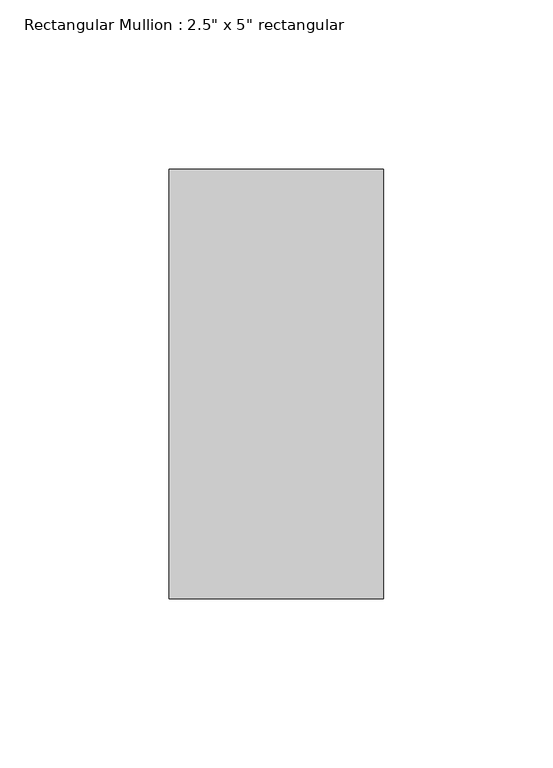
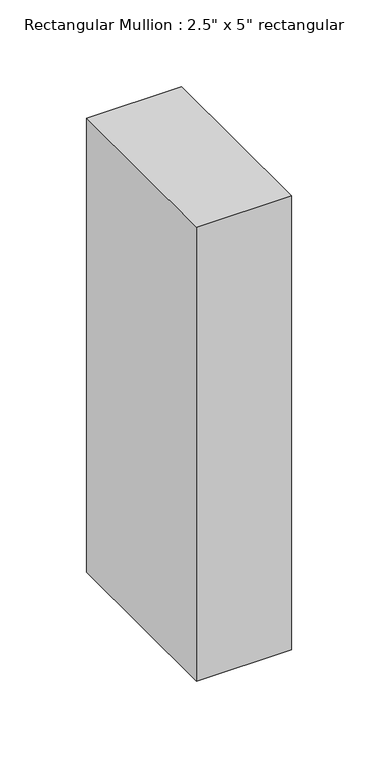
"""IFC4 building model written with IfcOpenShell, lengths in millimetres: member geometry."""

from ifc_helpers import new_model, si_unit, frame, origin, place, context, project, spatial, polyline, outline, extrude, source, transform, mapped, element, save


def member_663acbe1(model_context):
    return source(origin(), model_context, "Body", "SweptSolid", [
        extrude(outline(polyline([(0.0, 63.5), (0.0, -63.5), (-63.5, -63.5), (-63.5, 63.5), (0.0, 63.5)])), frame((0.0, 0.0, -320.0768665), z_axis=(0.0, 0.0, 1.0), x_axis=(1.0, 0.0, 0.0)), (0.0, 0.0, 1.0), 320.0768665),
    ])


if __name__ == "__main__":
    model = new_model("IFC4")
    model_context = context("Model", 3, world=origin())
    ifc_project = project(units=[si_unit("LENGTHUNIT", "METRE", prefix="MILLI")], contexts=[model_context])
    site = spatial("IfcSite", under=ifc_project)
    building = spatial("IfcBuilding", under=site)
    placement = place(None, origin())
    member_shape = member_663acbe1(model_context)
    element("IfcMember", 1, ObjectType="Rectangular Mullion : 2.5\" x 5\" rectangular", at=placement, inside=building, context=model_context, shape_type="MappedRepresentation", body=[
        mapped(member_shape, transform((0.0, 0.0, 0.0), x_axis=(1.0, 0.0, 0.0), y_axis=(0.0, 1.0, 0.0), z_axis=(0.0, 0.0, 1.0))),
    ])
    save(model, "model.ifc")
